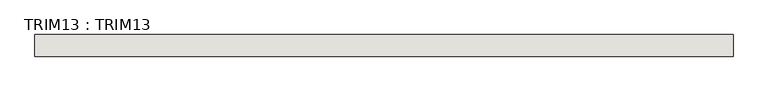
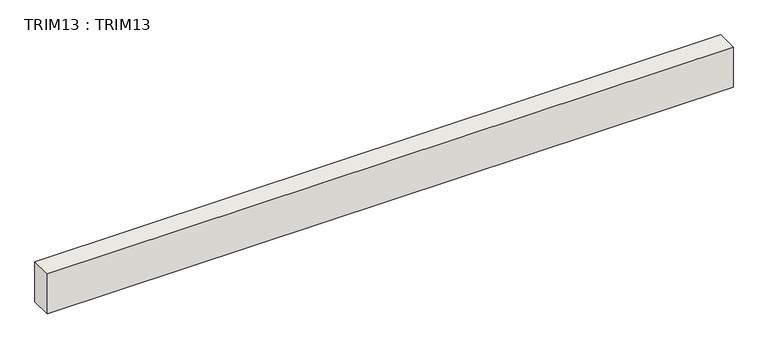
"""IFC4 building model written with IfcOpenShell, lengths in millimetres: wall geometry, TRIM13 : TRIM13."""

from ifc_helpers import new_model, si_unit, frame, origin, place, context, project, spatial, polyline, outline, extrude, source, transform, mapped, element, save


def trim13_trim13_2fcf07e5(model_context):
    return source(origin(), model_context, "Body", "SweptSolid", [
        extrude(outline(polyline([(-14261.6212615, 11044.1232965), (-15899.9212615, 11044.1232965), (-15899.9212615, 11094.9232965), (-14261.6212615, 11094.9232965), (-14261.6212615, 11044.1232965)])), frame((0.0, 0.0, 2521.0698014), z_axis=(0.0, 0.0, 1.0), x_axis=(1.0, 0.0, 0.0)), (0.0, 0.0, 1.0), 101.6),
    ])


if __name__ == "__main__":
    model = new_model("IFC4")
    model_context = context("Model", 3, world=origin())
    ifc_project = project(units=[si_unit("LENGTHUNIT", "METRE", prefix="MILLI")], contexts=[model_context])
    site = spatial("IfcSite", under=ifc_project)
    building = spatial("IfcBuilding", under=site)
    placement = place(None, origin())
    trim13_trim13_shape = trim13_trim13_2fcf07e5(model_context)
    element("IfcWall", 1, ObjectType="TRIM13 : TRIM13", at=placement, inside=building, context=model_context, shape_type="MappedRepresentation", body=[
        mapped(trim13_trim13_shape, transform((0.0, 0.0, 0.0), x_axis=(1.0, 0.0, 0.0), y_axis=(0.0, 1.0, 0.0), z_axis=(0.0, 0.0, 1.0))),
    ])
    save(model, "model.ifc")
